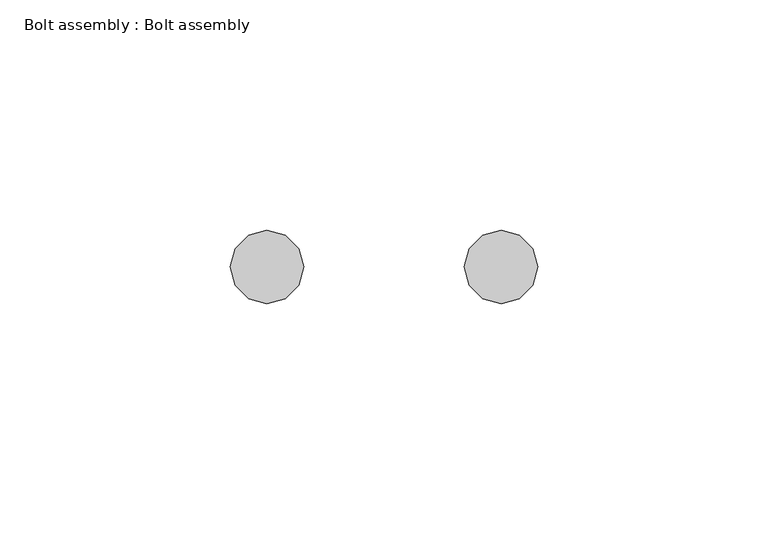
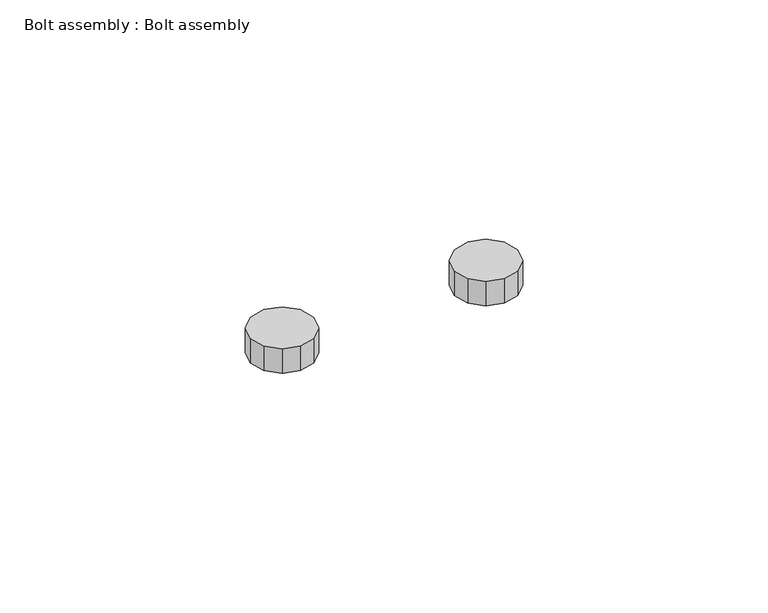
"""IFC4 building model written with IfcOpenShell, lengths in millimetres: proxy geometry, Bolt assembly : Bolt assembly."""

from ifc_helpers import new_model, si_unit, frame, origin, place, context, project, spatial, polyline, outline, extrude, source, transform, mapped, element, save


def bolt_assembly_bolt_assembly_d6974fb5(model_context):
    return source(origin(), model_context, "Body", "SweptSolid", [
        extrude(outline(polyline([(-32.2762395, 146.6465694), (-29.3699977, 149.5528111), (-25.3999977, 150.6165694), (-21.4299977, 149.5528111), (-18.523756, 146.6465694), (-17.4599977, 142.6765694), (-18.523756, 138.7065693), (-21.4299977, 135.8003276), (-25.3999977, 134.7365693), (-29.3699977, 135.8003276), (-32.2762395, 138.7065693), (-33.3399978, 142.6765694), (-32.2762395, 146.6465694)])), frame((0.0, 0.0, -26.9875), z_axis=(0.0, 0.0, 1.0), x_axis=(1.0, 0.0, 0.0)), (0.0, 0.0, 1.0), 6.45),
        extrude(outline(polyline([(18.5237574, 146.6465694), (21.4299991, 149.5528111), (25.3999991, 150.6165694), (29.3699992, 149.5528111), (32.2762409, 146.6465694), (33.3399992, 142.6765694), (32.2762409, 138.7065693), (29.3699992, 135.8003276), (25.3999991, 134.7365693), (21.4299991, 135.8003276), (18.5237574, 138.7065693), (17.4599991, 142.6765694), (18.5237574, 146.6465694)])), frame((0.0, 0.0, -26.9875), z_axis=(0.0, 0.0, 1.0), x_axis=(1.0, 0.0, 0.0)), (0.0, 0.0, 1.0), 6.45),
    ])


if __name__ == "__main__":
    model = new_model("IFC4")
    model_context = context("Model", 3, world=origin())
    ifc_project = project(units=[si_unit("LENGTHUNIT", "METRE", prefix="MILLI")], contexts=[model_context])
    site = spatial("IfcSite", under=ifc_project)
    building = spatial("IfcBuilding", under=site)
    placement = place(None, origin())
    bolt_assembly_bolt_assembly_shape = bolt_assembly_bolt_assembly_d6974fb5(model_context)
    element("IfcBuildingElementProxy", 1, Name="Bolt assembly : Bolt assembly", ObjectType="Bolt assembly : Bolt assembly", at=placement, inside=building, context=model_context, shape_type="MappedRepresentation", body=[
        mapped(bolt_assembly_bolt_assembly_shape, transform((0.0, 0.0, 0.0), x_axis=(1.0, 0.0, 0.0), y_axis=(0.0, 1.0, 0.0), z_axis=(0.0, 0.0, 1.0))),
    ])
    save(model, "model.ifc")
